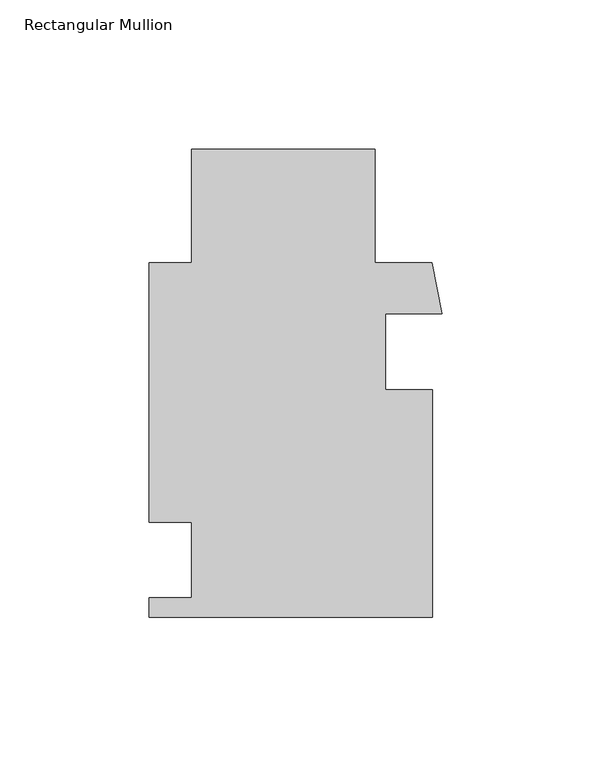
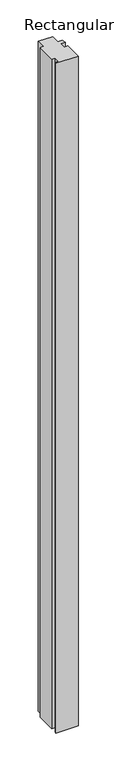
"""IFC4 building model written with IfcOpenShell, lengths in millimetres: member geometry, Rectangular Mullion."""

from ifc_helpers import new_model, si_unit, frame, origin, place, context, project, spatial, polyline, outline, extrude, source, transform, mapped, element, save


def rectangular_mullion_5cf139d9(model_context):
    return source(origin(), model_context, "Body", "SweptSolid", [
        extrude(outline(polyline([(-22.4953799, 80.82915), (-22.4953799, 42.72915), (-3.3414747, 42.72915), (0.0, 25.5079856), (-19.0663818, 25.5079856), (-19.0663818, 0.1079856), (-3.1913799, 0.1079856), (-3.1913799, -76.33335), (-98.4413799, -76.33335), (-98.4413799, -69.7547144), (-84.1538919, -69.7547144), (-84.1538919, -44.3547144), (-98.4413799, -44.3547144), (-98.4413799, 42.72915), (-84.1538799, 42.72915), (-84.1538799, 80.82915), (-22.4953799, 80.82915)])), frame((0.0, 0.0, -3048.0), z_axis=(0.0, 0.0, 1.0), x_axis=(1.0, 0.0, 0.0)), (0.0, 0.0, 1.0), 3048.0),
    ])


if __name__ == "__main__":
    model = new_model("IFC4")
    model_context = context("Model", 3, world=origin())
    ifc_project = project(units=[si_unit("LENGTHUNIT", "METRE", prefix="MILLI")], contexts=[model_context])
    site = spatial("IfcSite", under=ifc_project)
    building = spatial("IfcBuilding", under=site)
    placement = place(None, origin())
    rectangular_mullion_shape = rectangular_mullion_5cf139d9(model_context)
    element("IfcMember", 1, ObjectType="Rectangular Mullion", at=placement, inside=building, context=model_context, shape_type="MappedRepresentation", body=[
        mapped(rectangular_mullion_shape, transform((0.0, 0.0, 0.0), x_axis=(1.0, 0.0, 0.0), y_axis=(0.0, 1.0, 0.0), z_axis=(0.0, 0.0, 1.0))),
    ])
    save(model, "model.ifc")
